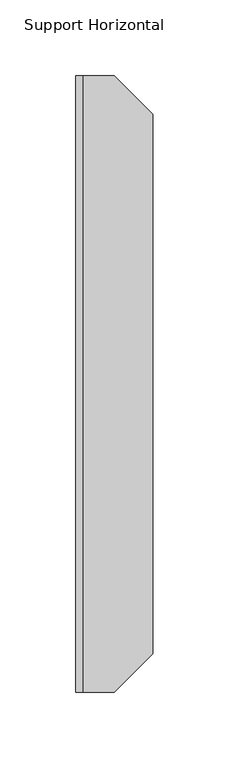
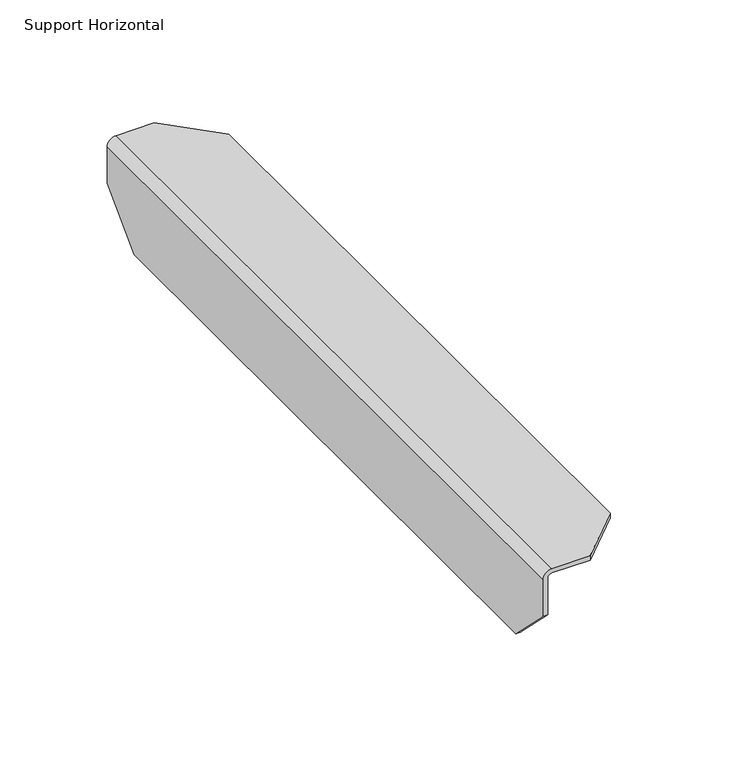
"""IFC4 building model written with IfcOpenShell, lengths in millimetres: furniture geometry, Support Horizontal."""

from ifc_helpers import new_model, si_unit, frame, origin, place, context, project, spatial, polyline, circle_curve, source, transform, mapped, element, save
from ifc_brep_helpers import plane_surface, cylinder_surface, revolved_surface, advanced_brep


def support_horizontal_4122db58(model_context):
    return source(origin(), model_context, "Body", "AdvancedBrep", [
        advanced_brep(
        [(2.4638, -406.4, 833.4502), (4.7498, -406.4, 835.7362), (25.4, -406.4, 835.7362), (25.4, -406.4, 838.2), (4.7498, -406.4, 838.2), (0.0, -406.4, 833.4502), (0.0, -406.4, 812.8), (2.4638, -406.4, 812.8), (0.0, 0.0, 833.4502), (4.7498, 0.0, 838.2), (25.4, 0.0, 838.2), (25.4, 0.0, 835.7362), (4.7498, 0.0, 835.7362), (2.4638, 0.0, 833.4502), (2.4638, 0.0, 812.8), (0.0, 0.0, 812.8), (0.0, -381.0, 787.4), (0.0, -25.4, 787.4), (2.4638, -25.4, 787.4), (2.4638, -381.0, 787.4), (50.8, -25.4, 835.7362), (50.8, -381.0, 835.7362), (50.8, -25.4, 838.2), (50.8, -381.0, 838.2)],
        [
            (0, 1, circle_curve(frame((4.7498, -406.4, 833.4502), z_axis=(0.0, 1.0, 0.0), x_axis=(1.0, 0.0, 0.0)), 2.286)),
            (1, 2),
            (2, 3),
            (3, 4),
            (4, 5, circle_curve(frame((4.7498, -406.4, 833.4502), z_axis=(0.0, -1.0, 0.0), x_axis=(1.0, 0.0, 0.0)), 4.7498)),
            (5, 6),
            (6, 7),
            (7, 0),
            (8, 9, circle_curve(frame((4.7498, 0.0, 833.4502), z_axis=(0.0, 1.0, 0.0), x_axis=(1.0, 0.0, 0.0)), 4.7498)),
            (9, 10),
            (10, 11),
            (11, 12),
            (12, 13, circle_curve(frame((4.7498, 0.0, 833.4502), z_axis=(0.0, -1.0, 0.0), x_axis=(1.0, 0.0, 0.0)), 2.286)),
            (13, 14),
            (14, 15),
            (15, 8),
            (16, 17),
            (17, 18),
            (18, 19),
            (19, 16),
            (13, 0),
            (7, 19),
            (18, 14),
            (12, 1),
            (11, 20),
            (20, 21),
            (21, 2),
            (20, 22),
            (22, 23),
            (23, 21),
            (9, 4),
            (3, 23),
            (22, 10),
            (8, 5),
            (15, 17),
            (16, 6),
        ],
        [
            plane_surface(frame((0.0, -406.4, 787.4), z_axis=(0.0, -1.0, 0.0), x_axis=(1.0, 0.0, 0.0))),
            plane_surface(frame((0.0, 0.0, 787.4), z_axis=(0.0, 1.0, 0.0), x_axis=(-1.0, 0.0, 0.0))),
            plane_surface(frame((0.0, -406.4, 787.4), z_axis=(0.0, 0.0, -1.0), x_axis=(0.0, 1.0, 0.0))),
            plane_surface(frame((2.4638, -406.4, 787.4), z_axis=(1.0, 0.0, 0.0), x_axis=(0.0, 1.0, 0.0))),
            revolved_surface(polyline([(7.0358, 0.0, 833.4502), (7.0358, -406.4, 833.4502)]), (4.7498, 0.0, 833.4502), (0.0, 1.0, 0.0)),
            plane_surface(frame((4.7498, -406.4, 835.7362), z_axis=(0.0, 0.0, -1.0), x_axis=(0.0, 1.0, 0.0))),
            plane_surface(frame((50.8, -406.4, 835.7362), z_axis=(1.0, 0.0, 0.0), x_axis=(0.0, 1.0, 0.0))),
            plane_surface(frame((50.8, -406.4, 838.2), z_axis=(0.0, 0.0, 1.0), x_axis=(0.0, 1.0, 0.0))),
            cylinder_surface(frame((4.7498, 0.0, 833.4502), z_axis=(0.0, -1.0, 0.0), x_axis=(1.0, 0.0, 0.0)), 4.7498),
            plane_surface(frame((0.0, -406.4, 833.4502), z_axis=(-1.0, 0.0, 0.0), x_axis=(0.0, 1.0, 0.0))),
            plane_surface(frame((25.4, 0.0, 838.2), z_axis=(0.7071067811857575, 0.7071067811873375, 0.0), x_axis=(0.0, 0.0, -1.0))),
            plane_surface(frame((50.8, -381.0, 838.2), z_axis=(0.7071067811865472, -0.7071067811865479, 0.0), x_axis=(0.0, 0.0, -1.0))),
            plane_surface(frame((2.4638, 0.0, 812.8), z_axis=(0.0, 0.7071067811851919, -0.7071067811879032), x_axis=(-1.0, 0.0, 0.0))),
            plane_surface(frame((2.4638, -381.0, 787.4), z_axis=(0.0, -0.7071067811852013, -0.7071067811878937), x_axis=(-1.0, 0.0, 0.0))),
        ],
        [
            (0, [[1, 2, 3, 4, 5, 6, 7, 8]]),
            (1, [[9, 10, 11, 12, 13, 14, 15, 16]]),
            (2, [[17, 18, 19, 20]]),
            (3, [[21, -8, 22, -19, 23, -14]]),
            (4, [[-1, -21, -13, 24]]),
            (5, [[-24, -12, 25, 26, 27, -2]]),
            (6, [[-26, 28, 29, 30]]),
            (7, [[31, -4, 32, -29, 33, -10]]),
            (8, [[-5, -31, -9, 34]]),
            (9, [[-34, -16, 35, -17, 36, -6]]),
            (10, [[-11, -33, -28, -25]]),
            (11, [[-3, -27, -30, -32]]),
            (12, [[-15, -23, -18, -35]]),
            (13, [[-7, -36, -20, -22]]),
        ],
    ),
    ])


if __name__ == "__main__":
    model = new_model("IFC4")
    model_context = context("Model", 3, world=origin())
    ifc_project = project(units=[si_unit("LENGTHUNIT", "METRE", prefix="MILLI")], contexts=[model_context])
    site = spatial("IfcSite", under=ifc_project)
    building = spatial("IfcBuilding", under=site)
    placement = place(None, origin())
    support_horizontal_shape = support_horizontal_4122db58(model_context)
    element("IfcFurniture", 1, ObjectType="Support Horizontal", at=placement, inside=building, context=model_context, shape_type="MappedRepresentation", body=[
        mapped(support_horizontal_shape, transform((0.0, 0.0, 0.0), x_axis=(1.0, 0.0, 0.0), y_axis=(0.0, 1.0, 0.0), z_axis=(0.0, 0.0, 1.0))),
    ])
    save(model, "model.ifc")
